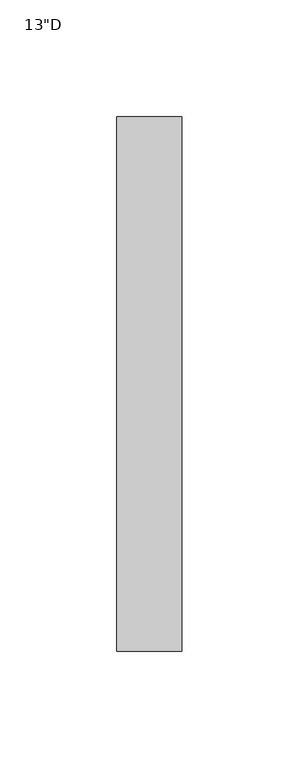
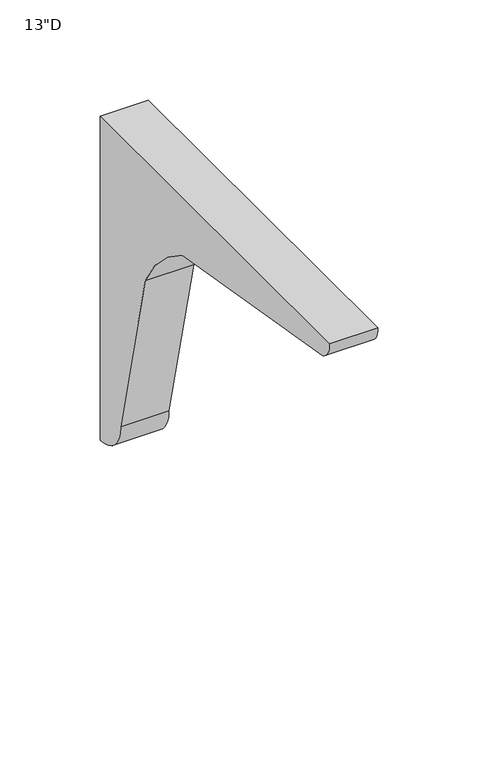
"""IFC4 building model written with IfcOpenShell, lengths in millimetres: furniture geometry."""

from ifc_helpers import new_model, si_unit, point, frame, frame_2d, origin, place, context, project, spatial, polyline, circle_curve, trimmed, segment, composite_curve, outline, extrude, source, transform, mapped, element, save


def furniture_366af5a7(model_context):
    return source(origin(), model_context, "Body", "SweptSolid", [
        extrude(outline(composite_curve([segment(trimmed(circle_curve(frame_2d((-143.9606717, 852.8605632)), 86.0560025), [point((-66.8363066, 891.0373609))], [point((-103.3820864, 928.7487309))], True, "CARTESIAN"), True, "CONTINUOUS"), segment(polyline([(-103.3820864, 928.7487309), (-243.6532059, 952.8360324)]), True, "CONTINUOUS"), segment(trimmed(circle_curve(frame_2d((-239.3486305, 963.0106611)), 11.0477345), [point((-243.6532059, 952.8360324))], [point((-250.35256, 963.9935))], False, "CARTESIAN"), True, "CONTINUOUS"), segment(polyline([(-250.35256, 963.9935), (-21.75256, 963.9935), (-21.75256, 766.746625)]), True, "CONTINUOUS"), segment(trimmed(circle_curve(frame_2d((-21.75256, 787.1479665)), 20.4013415), [point((-21.75256, 766.746625))], [point((-42.1539008, 787.1425548))], False, "CARTESIAN"), True, "CONTINUOUS"), segment(polyline([(-42.1539008, 787.1425548), (-66.8363066, 891.0373609)]), True, "CONTINUOUS")], self_intersect=False)), frame((4.8493945, 0.0, 0.0), z_axis=(1.0, 0.0, 0.0), x_axis=(0.0, 1.0, 0.0)), (0.0, 0.0, 1.0), 27.78125),
    ])


if __name__ == "__main__":
    model = new_model("IFC4")
    model_context = context("Model", 3, world=origin())
    ifc_project = project(units=[si_unit("LENGTHUNIT", "METRE", prefix="MILLI")], contexts=[model_context])
    site = spatial("IfcSite", under=ifc_project)
    building = spatial("IfcBuilding", under=site)
    placement = place(None, origin())
    furniture_shape = furniture_366af5a7(model_context)
    element("IfcFurniture", 1, ObjectType="13\"D", at=placement, inside=building, context=model_context, shape_type="MappedRepresentation", body=[
        mapped(furniture_shape, transform((0.0, 0.0, 0.0), x_axis=(1.0, 0.0, 0.0), y_axis=(0.0, 1.0, 0.0), z_axis=(0.0, 0.0, 1.0))),
    ])
    save(model, "model.ifc")
